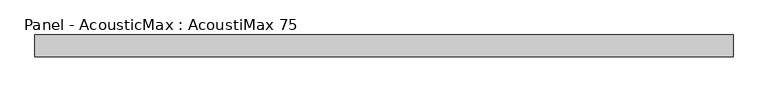
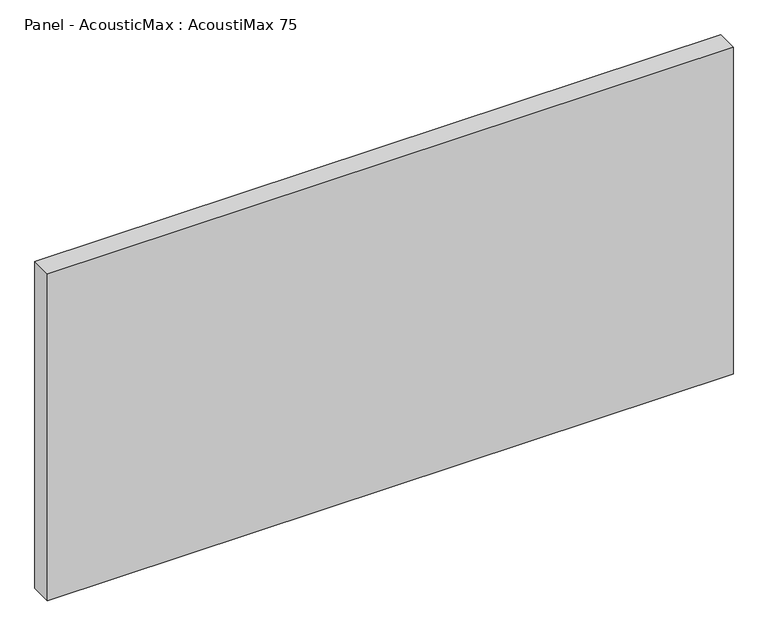
"""IFC4 building model written with IfcOpenShell, lengths in millimetres: plate geometry, Panel - AcousticMax : AcoustiMax 75."""

import ifcopenshell
import ifcopenshell.guid

model = None  # the IFC model being written
_history = None  # IfcOwnerHistory: only IFC2X3 demands one
_inside = {}  # id of a spatial element -> (the spatial element, [elements in it])
_under = {}  # id of a project, library or spatial element -> (it, [spatial elements below it])
_declared = {}  # id of a project -> (the project, [libraries it declares])
_typed = {}  # id of a type object -> (the type object, [elements of that type])
_made_of = {}  # id of a material, layer set ... -> (it, [elements and type objects made of it])


def new_model(schema):
    """Start an empty IFC model of exactly this schema.

    Asked for "IFC4X3", IfcOpenShell would pick the latest addendum, in which some entities
    have other attributes; the version numbers below select the first issue.
    IFC2X3 requires an IfcOwnerHistory on every rooted entity: one is made here for all.
    """
    global model, _history
    if schema == "IFC4X3":
        model = ifcopenshell.file(schema_version=(4, 3, 0, 0))
    else:
        model = ifcopenshell.file(schema=schema)
    _inside.clear()
    _under.clear()
    _declared.clear()
    _typed.clear()
    _made_of.clear()
    _history = None
    if model.schema == "IFC2X3":
        org = make("IfcOrganization", Name="unknown")
        user = make(
            "IfcPersonAndOrganization",
            ThePerson=make("IfcPerson", FamilyName="unknown"),
            TheOrganization=org,
        )
        app = make(
            "IfcApplication",
            ApplicationDeveloper=org,
            Version="unknown",
            ApplicationFullName="unknown",
            ApplicationIdentifier="unknown",
        )
        _history = make(
            "IfcOwnerHistory",
            OwningUser=user,
            OwningApplication=app,
            ChangeAction="ADDED",
            CreationDate=0,
        )
    return model


def make(cls, **values):
    """One entity of the class cls with the attributes given. An attribute that is None is left unset."""
    return model.create_entity(
        cls, **{name: value for name, value in values.items() if value is not None}
    )


def rooted(cls, **values):
    """An entity with a GlobalId (a new one), such as an element, a storey or a relation."""
    return make(cls, GlobalId=ifcopenshell.guid.new(), OwnerHistory=_history, **values)


def si_unit(unit_type, name, prefix=None):
    """IfcSIUnit, for example si_unit("LENGTHUNIT", "METRE", prefix="MILLI")."""
    return make("IfcSIUnit", UnitType=unit_type, Prefix=prefix, Name=name)


def assignment(units):
    """IfcUnitAssignment: the units of a project."""
    return None if units is None else make("IfcUnitAssignment", Units=units)


def point(xyz):
    """IfcCartesianPoint."""
    return None if xyz is None else make("IfcCartesianPoint", Coordinates=xyz)


def direction(xyz):
    """IfcDirection."""
    return None if xyz is None else make("IfcDirection", DirectionRatios=xyz)


def frame(location, z_axis=None, x_axis=None):
    """IfcAxis2Placement3D, a coordinate frame: its origin and axes. An axis left out is left unset."""
    return make(
        "IfcAxis2Placement3D",
        Location=point(location),
        Axis=direction(z_axis),
        RefDirection=direction(x_axis),
    )


def origin():
    """The frame at (0, 0, 0) with its axes left unset."""
    return frame((0.0, 0.0, 0.0))


def origin_with_axes():
    """The frame at (0, 0, 0) with the z axis (0, 0, 1) and the x axis (1, 0, 0) written out."""
    return frame((0.0, 0.0, 0.0), z_axis=(0.0, 0.0, 1.0), x_axis=(1.0, 0.0, 0.0))


def place(relative_to, where):
    """IfcLocalPlacement: puts the frame where relative to a parent placement (None: the world)."""
    return make(
        "IfcLocalPlacement", PlacementRelTo=relative_to, RelativePlacement=where
    )


def context(
    kind, dimensions, precision=None, world=None, true_north=None, identifier=None
):
    """IfcGeometricRepresentationContext, for example the 3D "Model" context."""
    return make(
        "IfcGeometricRepresentationContext",
        ContextIdentifier=identifier,
        ContextType=kind,
        CoordinateSpaceDimension=dimensions,
        Precision=precision,
        WorldCoordinateSystem=world,
        TrueNorth=true_north,
    )


def project(units=None, contexts=None):
    """IfcProject with its units and contexts."""
    return rooted(
        "IfcProject",
        Name="project",
        RepresentationContexts=contexts,
        UnitsInContext=assignment(units),
    )


def spatial(cls, under=None, at=None, **own):
    """A site, building, storey or space (cls), placed at a placement, below another one or the project."""
    s = rooted(cls, ObjectPlacement=at, **own)
    if under is not None:
        _under.setdefault(under.id(), (under, []))[1].append(s)
    return s


def polyline(points):
    """IfcPolyline through the points."""
    return make("IfcPolyline", Points=[point(p) for p in points])


def outline(outer, holes=None, kind="AREA"):
    """IfcArbitraryClosedProfileDef: a profile drawn as a closed curve; with holes, ...WithVoids."""
    if holes is None:
        return make("IfcArbitraryClosedProfileDef", ProfileType=kind, OuterCurve=outer)
    return make(
        "IfcArbitraryProfileDefWithVoids",
        ProfileType=kind,
        OuterCurve=outer,
        InnerCurves=holes,
    )


def extrude(swept, where, along, depth):
    """IfcExtrudedAreaSolid: the profile swept, set in the frame where, extruded along a direction by depth."""
    return make(
        "IfcExtrudedAreaSolid",
        SweptArea=swept,
        Position=where,
        ExtrudedDirection=direction(along),
        Depth=depth,
    )


def shape(context_of_items, identifier, shape_type, items):
    """IfcShapeRepresentation: the items that make up one representation, for example the "Body"."""
    return make(
        "IfcShapeRepresentation",
        ContextOfItems=context_of_items,
        RepresentationIdentifier=identifier,
        RepresentationType=shape_type,
        Items=items,
    )


def source(mapping_origin, context_of_items, identifier, shape_type, items):
    """IfcRepresentationMap: a shape defined once, which mapped items show again and again."""
    return make(
        "IfcRepresentationMap",
        MappingOrigin=mapping_origin,
        MappedRepresentation=shape(context_of_items, identifier, shape_type, items),
    )


def transform(
    local_origin,
    x_axis=None,
    y_axis=None,
    z_axis=None,
    scale=None,
    scale2=None,
    scale3=None,
    uniform=True,
):
    """IfcCartesianTransformationOperator3D, or its non-uniform kind. x_axis, y_axis, z_axis: its Axis1, 2, 3."""
    if uniform:
        return make(
            "IfcCartesianTransformationOperator3D",
            Axis1=direction(x_axis),
            Axis2=direction(y_axis),
            LocalOrigin=point(local_origin),
            Scale=scale,
            Axis3=direction(z_axis),
        )
    return make(
        "IfcCartesianTransformationOperator3DnonUniform",
        Axis1=direction(x_axis),
        Axis2=direction(y_axis),
        LocalOrigin=point(local_origin),
        Scale=scale,
        Axis3=direction(z_axis),
        Scale2=scale2,
        Scale3=scale3,
    )


def mapped(mapping_source, mapping_target):
    """IfcMappedItem: shows the shape of a source again, moved by a transform."""
    return make(
        "IfcMappedItem", MappingSource=mapping_source, MappingTarget=mapping_target
    )


def made_of(thing, what):
    """Note that an element or type object is made of a material, layer set ...; save() writes the relation."""
    if what is not None:
        _made_of.setdefault(what.id(), (what, []))[1].append(thing)
    return thing


def element(
    cls,
    number,
    at=None,
    inside=None,
    cuts=None,
    type_object=None,
    material=None,
    context=None,
    identifier="Body",
    shape_type=None,
    held_by="IfcProductDefinitionShape",
    body=None,
    shapes=None,
    **own,
):
    """One element of the class cls, such as IfcWall. Its Tag is "e" and its number.

    at: its placement. inside: the storey or other place that contains it. cuts: it is an
    opening in that element (IfcRelVoidsElement). A single representation is given by context,
    identifier, shape_type and body (its items); several are given by shapes. held_by: the class
    of the entity that holds the representations. save() writes the other relations.
    """
    e = rooted(cls, Tag="e%d" % number, ObjectPlacement=at, **own)
    if body is not None:
        shapes = [shape(context, identifier, shape_type, body)]
    if shapes is not None:
        e.Representation = make(held_by, Representations=shapes)
    if inside is not None:
        _inside.setdefault(inside.id(), (inside, []))[1].append(e)
    if cuts is not None:
        rooted(
            "IfcRelVoidsElement", RelatingBuildingElement=cuts, RelatedOpeningElement=e
        )
    if type_object is not None:
        _typed.setdefault(type_object.id(), (type_object, []))[1].append(e)
    return made_of(e, material)


def aggregate(whole, parts):
    """IfcRelAggregates: a whole, such as a stair, and the parts it consists of."""
    return rooted("IfcRelAggregates", RelatingObject=whole, RelatedObjects=parts)


def save(model, path):
    """Write the relations noted so far, then the file.

    IfcRelAggregates (storeys below a building ...), IfcRelContainedInSpatialStructure (elements
    in a storey), IfcRelDefinesByType, IfcRelAssociatesMaterial and IfcRelDeclares: one each for
    every whole, place, type object, material and project.
    """
    for whole, parts in _under.values():
        aggregate(whole, parts)
    for where, things in _inside.values():
        rooted(
            "IfcRelContainedInSpatialStructure",
            RelatedElements=things,
            RelatingStructure=where,
        )
    for kind, things in _typed.values():
        rooted("IfcRelDefinesByType", RelatedObjects=things, RelatingType=kind)
    for what, things in _made_of.values():
        rooted("IfcRelAssociatesMaterial", RelatedObjects=things, RelatingMaterial=what)
    for by, libraries in _declared.values():
        rooted("IfcRelDeclares", RelatingContext=by, RelatedDefinitions=libraries)
    model.write(path)


def panel_acousticmax_acoustimax_75_8bb60c6e(model_context):
    return source(origin(), model_context, "Body", "SweptSolid", [
        extrude(outline(polyline([(1191.0, -37.5), (-1190.5, -37.5), (-1190.5, 37.5), (1191.0, 37.5), (1191.0, -37.5)])), origin_with_axes(), (0.0, 0.0, 1.0), 1200.0),
    ])


if __name__ == "__main__":
    model = new_model("IFC4")
    model_context = context("Model", 3, world=origin())
    ifc_project = project(units=[si_unit("LENGTHUNIT", "METRE", prefix="MILLI")], contexts=[model_context])
    site = spatial("IfcSite", under=ifc_project)
    building = spatial("IfcBuilding", under=site)
    placement = place(None, origin())
    panel_acousticmax_acoustimax_75_shape = panel_acousticmax_acoustimax_75_8bb60c6e(model_context)
    element("IfcPlate", 1, ObjectType="Panel - AcousticMax : AcoustiMax 75", at=placement, inside=building, context=model_context, shape_type="MappedRepresentation", body=[
        mapped(panel_acousticmax_acoustimax_75_shape, transform((0.0, 0.0, 0.0), x_axis=(1.0, 0.0, 0.0), y_axis=(0.0, 1.0, 0.0), z_axis=(0.0, 0.0, 1.0))),
    ])
    save(model, "model.ifc")
